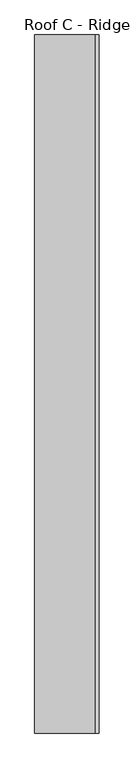
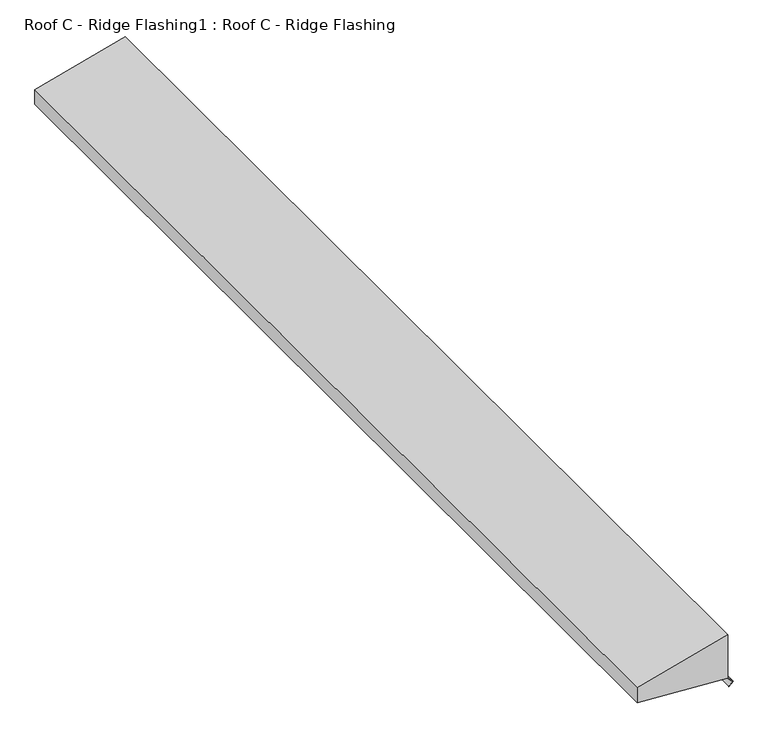
"""IFC4 building model written with IfcOpenShell, lengths in millimetres: proxy geometry, Roof C - Ridge Flashing1 : Roof C - Ridge Flashing."""

from ifc_helpers import new_model, si_unit, frame, origin, place, context, project, spatial, polyline, outline, extrude, source, transform, mapped, element, save


def roof_c_ridge_flashing1_roof_c_ridge_flashing_f9b4cfa0(model_context):
    return source(origin(), model_context, "Body", "SweptSolid", [
        extrude(outline(polyline([(3967.9229545, 41150.3424521), (3905.4787487, 40917.2975033), (3865.4787487, 40917.2975033), (3850.5262936, 41149.3424521), (3836.7983716, 41163.0703742), (3826.8988766, 41153.1708792), (3826.1917698, 41153.877986), (3836.7983716, 41164.4845877), (3850.9405072, 41150.3424521), (3967.9229545, 41150.3424521)])), frame((0.0, -15067.417972, 0.0), z_axis=(0.0, 1.0, 0.0), x_axis=(0.0, 0.0, 1.0)), (0.0, 0.0, 1.0), 2685.4270476),
    ])


if __name__ == "__main__":
    model = new_model("IFC4")
    model_context = context("Model", 3, world=origin())
    ifc_project = project(units=[si_unit("LENGTHUNIT", "METRE", prefix="MILLI")], contexts=[model_context])
    site = spatial("IfcSite", under=ifc_project)
    building = spatial("IfcBuilding", under=site)
    placement = place(None, origin())
    roof_c_ridge_flashing1_roof_c_ridge_flashing_shape = roof_c_ridge_flashing1_roof_c_ridge_flashing_f9b4cfa0(model_context)
    element("IfcBuildingElementProxy", 1, Name="Roof C - Ridge Flashing1 : Roof C - Ridge Flashing", ObjectType="Roof C - Ridge Flashing1 : Roof C - Ridge Flashing", at=placement, inside=building, context=model_context, shape_type="MappedRepresentation", body=[
        mapped(roof_c_ridge_flashing1_roof_c_ridge_flashing_shape, transform((0.0, 0.0, 0.0), x_axis=(1.0, 0.0, 0.0), y_axis=(0.0, 1.0, 0.0), z_axis=(0.0, 0.0, 1.0))),
    ])
    save(model, "model.ifc")
